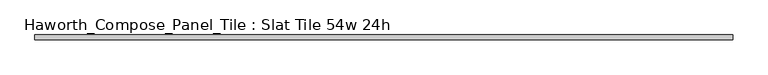
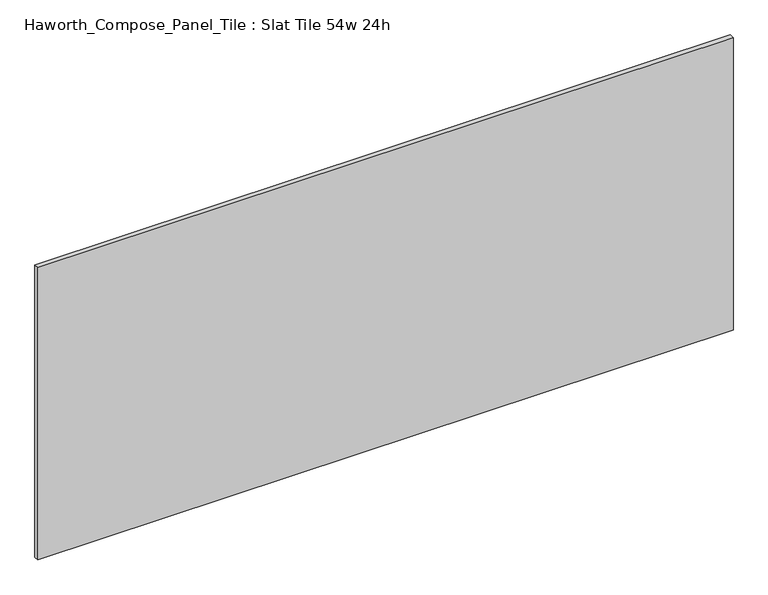
"""IFC4 building model written with IfcOpenShell, lengths in millimetres: furniture geometry, Haworth_Compose_Panel_Tile : Slat Tile 54w 24h."""

import ifcopenshell
import ifcopenshell.guid

model = None  # the IFC model being written
_history = None  # IfcOwnerHistory: only IFC2X3 demands one
_inside = {}  # id of a spatial element -> (the spatial element, [elements in it])
_under = {}  # id of a project, library or spatial element -> (it, [spatial elements below it])
_declared = {}  # id of a project -> (the project, [libraries it declares])
_typed = {}  # id of a type object -> (the type object, [elements of that type])
_made_of = {}  # id of a material, layer set ... -> (it, [elements and type objects made of it])


def new_model(schema):
    """Start an empty IFC model of exactly this schema.

    Asked for "IFC4X3", IfcOpenShell would pick the latest addendum, in which some entities
    have other attributes; the version numbers below select the first issue.
    IFC2X3 requires an IfcOwnerHistory on every rooted entity: one is made here for all.
    """
    global model, _history
    if schema == "IFC4X3":
        model = ifcopenshell.file(schema_version=(4, 3, 0, 0))
    else:
        model = ifcopenshell.file(schema=schema)
    _inside.clear()
    _under.clear()
    _declared.clear()
    _typed.clear()
    _made_of.clear()
    _history = None
    if model.schema == "IFC2X3":
        org = make("IfcOrganization", Name="unknown")
        user = make(
            "IfcPersonAndOrganization",
            ThePerson=make("IfcPerson", FamilyName="unknown"),
            TheOrganization=org,
        )
        app = make(
            "IfcApplication",
            ApplicationDeveloper=org,
            Version="unknown",
            ApplicationFullName="unknown",
            ApplicationIdentifier="unknown",
        )
        _history = make(
            "IfcOwnerHistory",
            OwningUser=user,
            OwningApplication=app,
            ChangeAction="ADDED",
            CreationDate=0,
        )
    return model


def make(cls, **values):
    """One entity of the class cls with the attributes given. An attribute that is None is left unset."""
    return model.create_entity(
        cls, **{name: value for name, value in values.items() if value is not None}
    )


def rooted(cls, **values):
    """An entity with a GlobalId (a new one), such as an element, a storey or a relation."""
    return make(cls, GlobalId=ifcopenshell.guid.new(), OwnerHistory=_history, **values)


def si_unit(unit_type, name, prefix=None):
    """IfcSIUnit, for example si_unit("LENGTHUNIT", "METRE", prefix="MILLI")."""
    return make("IfcSIUnit", UnitType=unit_type, Prefix=prefix, Name=name)


def assignment(units):
    """IfcUnitAssignment: the units of a project."""
    return None if units is None else make("IfcUnitAssignment", Units=units)


def point(xyz):
    """IfcCartesianPoint."""
    return None if xyz is None else make("IfcCartesianPoint", Coordinates=xyz)


def direction(xyz):
    """IfcDirection."""
    return None if xyz is None else make("IfcDirection", DirectionRatios=xyz)


def frame(location, z_axis=None, x_axis=None):
    """IfcAxis2Placement3D, a coordinate frame: its origin and axes. An axis left out is left unset."""
    return make(
        "IfcAxis2Placement3D",
        Location=point(location),
        Axis=direction(z_axis),
        RefDirection=direction(x_axis),
    )


def origin():
    """The frame at (0, 0, 0) with its axes left unset."""
    return frame((0.0, 0.0, 0.0))


def place(relative_to, where):
    """IfcLocalPlacement: puts the frame where relative to a parent placement (None: the world)."""
    return make(
        "IfcLocalPlacement", PlacementRelTo=relative_to, RelativePlacement=where
    )


def context(
    kind, dimensions, precision=None, world=None, true_north=None, identifier=None
):
    """IfcGeometricRepresentationContext, for example the 3D "Model" context."""
    return make(
        "IfcGeometricRepresentationContext",
        ContextIdentifier=identifier,
        ContextType=kind,
        CoordinateSpaceDimension=dimensions,
        Precision=precision,
        WorldCoordinateSystem=world,
        TrueNorth=true_north,
    )


def project(units=None, contexts=None):
    """IfcProject with its units and contexts."""
    return rooted(
        "IfcProject",
        Name="project",
        RepresentationContexts=contexts,
        UnitsInContext=assignment(units),
    )


def spatial(cls, under=None, at=None, **own):
    """A site, building, storey or space (cls), placed at a placement, below another one or the project."""
    s = rooted(cls, ObjectPlacement=at, **own)
    if under is not None:
        _under.setdefault(under.id(), (under, []))[1].append(s)
    return s


def polyline(points):
    """IfcPolyline through the points."""
    return make("IfcPolyline", Points=[point(p) for p in points])


def outline(outer, holes=None, kind="AREA"):
    """IfcArbitraryClosedProfileDef: a profile drawn as a closed curve; with holes, ...WithVoids."""
    if holes is None:
        return make("IfcArbitraryClosedProfileDef", ProfileType=kind, OuterCurve=outer)
    return make(
        "IfcArbitraryProfileDefWithVoids",
        ProfileType=kind,
        OuterCurve=outer,
        InnerCurves=holes,
    )


def extrude(swept, where, along, depth):
    """IfcExtrudedAreaSolid: the profile swept, set in the frame where, extruded along a direction by depth."""
    return make(
        "IfcExtrudedAreaSolid",
        SweptArea=swept,
        Position=where,
        ExtrudedDirection=direction(along),
        Depth=depth,
    )


def shape(context_of_items, identifier, shape_type, items):
    """IfcShapeRepresentation: the items that make up one representation, for example the "Body"."""
    return make(
        "IfcShapeRepresentation",
        ContextOfItems=context_of_items,
        RepresentationIdentifier=identifier,
        RepresentationType=shape_type,
        Items=items,
    )


def source(mapping_origin, context_of_items, identifier, shape_type, items):
    """IfcRepresentationMap: a shape defined once, which mapped items show again and again."""
    return make(
        "IfcRepresentationMap",
        MappingOrigin=mapping_origin,
        MappedRepresentation=shape(context_of_items, identifier, shape_type, items),
    )


def transform(
    local_origin,
    x_axis=None,
    y_axis=None,
    z_axis=None,
    scale=None,
    scale2=None,
    scale3=None,
    uniform=True,
):
    """IfcCartesianTransformationOperator3D, or its non-uniform kind. x_axis, y_axis, z_axis: its Axis1, 2, 3."""
    if uniform:
        return make(
            "IfcCartesianTransformationOperator3D",
            Axis1=direction(x_axis),
            Axis2=direction(y_axis),
            LocalOrigin=point(local_origin),
            Scale=scale,
            Axis3=direction(z_axis),
        )
    return make(
        "IfcCartesianTransformationOperator3DnonUniform",
        Axis1=direction(x_axis),
        Axis2=direction(y_axis),
        LocalOrigin=point(local_origin),
        Scale=scale,
        Axis3=direction(z_axis),
        Scale2=scale2,
        Scale3=scale3,
    )


def mapped(mapping_source, mapping_target):
    """IfcMappedItem: shows the shape of a source again, moved by a transform."""
    return make(
        "IfcMappedItem", MappingSource=mapping_source, MappingTarget=mapping_target
    )


def made_of(thing, what):
    """Note that an element or type object is made of a material, layer set ...; save() writes the relation."""
    if what is not None:
        _made_of.setdefault(what.id(), (what, []))[1].append(thing)
    return thing


def element(
    cls,
    number,
    at=None,
    inside=None,
    cuts=None,
    type_object=None,
    material=None,
    context=None,
    identifier="Body",
    shape_type=None,
    held_by="IfcProductDefinitionShape",
    body=None,
    shapes=None,
    **own,
):
    """One element of the class cls, such as IfcWall. Its Tag is "e" and its number.

    at: its placement. inside: the storey or other place that contains it. cuts: it is an
    opening in that element (IfcRelVoidsElement). A single representation is given by context,
    identifier, shape_type and body (its items); several are given by shapes. held_by: the class
    of the entity that holds the representations. save() writes the other relations.
    """
    e = rooted(cls, Tag="e%d" % number, ObjectPlacement=at, **own)
    if body is not None:
        shapes = [shape(context, identifier, shape_type, body)]
    if shapes is not None:
        e.Representation = make(held_by, Representations=shapes)
    if inside is not None:
        _inside.setdefault(inside.id(), (inside, []))[1].append(e)
    if cuts is not None:
        rooted(
            "IfcRelVoidsElement", RelatingBuildingElement=cuts, RelatedOpeningElement=e
        )
    if type_object is not None:
        _typed.setdefault(type_object.id(), (type_object, []))[1].append(e)
    return made_of(e, material)


def aggregate(whole, parts):
    """IfcRelAggregates: a whole, such as a stair, and the parts it consists of."""
    return rooted("IfcRelAggregates", RelatingObject=whole, RelatedObjects=parts)


def save(model, path):
    """Write the relations noted so far, then the file.

    IfcRelAggregates (storeys below a building ...), IfcRelContainedInSpatialStructure (elements
    in a storey), IfcRelDefinesByType, IfcRelAssociatesMaterial and IfcRelDeclares: one each for
    every whole, place, type object, material and project.
    """
    for whole, parts in _under.values():
        aggregate(whole, parts)
    for where, things in _inside.values():
        rooted(
            "IfcRelContainedInSpatialStructure",
            RelatedElements=things,
            RelatingStructure=where,
        )
    for kind, things in _typed.values():
        rooted("IfcRelDefinesByType", RelatedObjects=things, RelatingType=kind)
    for what, things in _made_of.values():
        rooted("IfcRelAssociatesMaterial", RelatedObjects=things, RelatingMaterial=what)
    for by, libraries in _declared.values():
        rooted("IfcRelDeclares", RelatingContext=by, RelatedDefinitions=libraries)
    model.write(path)


def haworth_compose_panel_tile_slat_tile_54w_24h_8ab58b74(model_context):
    return source(origin(), model_context, "Body", "SweptSolid", [
        extrude(outline(polyline([(688.2402902, -25.7218594), (-683.3597098, -25.7218594), (-683.3597098, -16.1968594), (688.2402902, -16.1968594), (688.2402902, -25.7218594)])), frame((0.0, 0.0, 1066.8), z_axis=(0.0, 0.0, 1.0), x_axis=(1.0, 0.0, 0.0)), (0.0, 0.0, 1.0), 609.6),
    ])


if __name__ == "__main__":
    model = new_model("IFC4")
    model_context = context("Model", 3, world=origin())
    ifc_project = project(units=[si_unit("LENGTHUNIT", "METRE", prefix="MILLI")], contexts=[model_context])
    site = spatial("IfcSite", under=ifc_project)
    building = spatial("IfcBuilding", under=site)
    placement = place(None, origin())
    haworth_compose_panel_tile_slat_tile_54w_24h_shape = haworth_compose_panel_tile_slat_tile_54w_24h_8ab58b74(model_context)
    element("IfcFurniture", 1, ObjectType="Haworth_Compose_Panel_Tile : Slat Tile 54w 24h", at=placement, inside=building, context=model_context, shape_type="MappedRepresentation", body=[
        mapped(haworth_compose_panel_tile_slat_tile_54w_24h_shape, transform((0.0, 0.0, 0.0), x_axis=(1.0, 0.0, 0.0), y_axis=(0.0, 1.0, 0.0), z_axis=(0.0, 0.0, 1.0))),
    ])
    save(model, "model.ifc")
